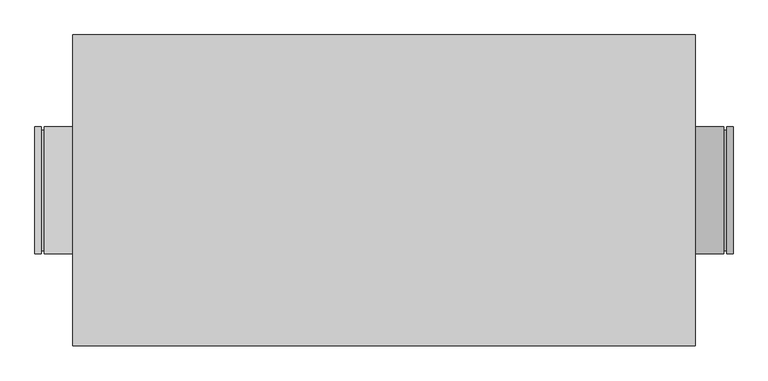
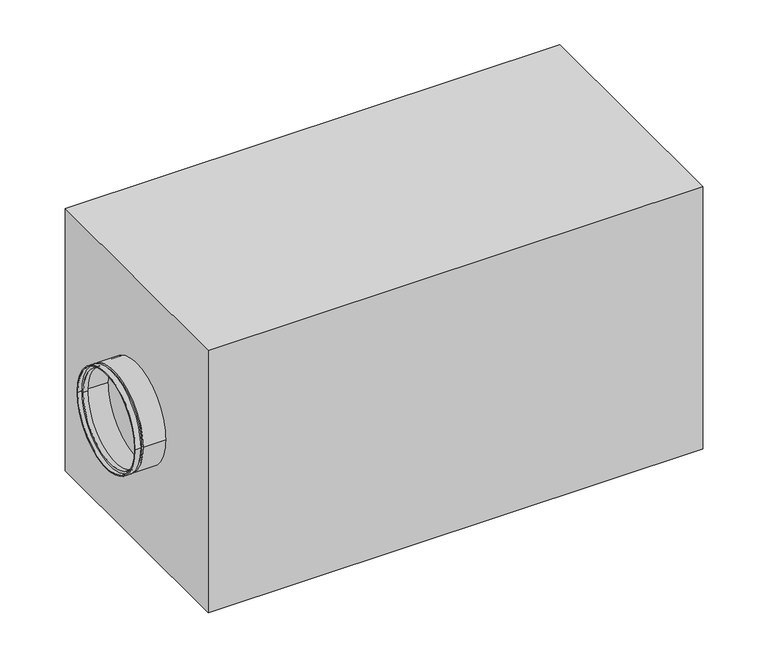
"""IFC4 building model written with IfcOpenShell, lengths in millimetres: proxy geometry."""

from ifc_helpers import new_model, si_unit, frame, origin, origin_with_axes, place, context, project, spatial, polyline, circle_curve, outline, extrude, source, transform, mapped, element, save
from ifc_brep_helpers import plane_surface, cylinder_surface, revolved_surface, advanced_brep


def mechanical_equipment_8890aa39(model_context):
    return source(origin(), model_context, "Body", "SolidModel", [
        advanced_brep(
        [(-540.0, 100.0, 275.0), (-540.0, -100.0, 275.0), (-550.0, -100.0, 275.0), (-550.0, 100.0, 275.0), (-540.0, 95.0, 275.0), (-540.0, -95.0, 275.0), (-535.0, 95.0, 275.0), (-535.0, -95.0, 275.0), (-535.0, 100.0, 275.0), (-535.0, -100.0, 275.0), (-490.0, 100.0, 275.0), (-490.0, -100.0, 275.0), (-490.0, 98.0, 275.0), (-490.0, -98.0, 275.0), (-533.0, 98.0, 275.0), (-533.0, -98.0, 275.0), (-533.0, 93.0, 275.0), (-533.0, -93.0, 275.0), (-542.0, 93.0, 275.0), (-542.0, -93.0, 275.0), (-542.0, 98.0, 275.0), (-542.0, -98.0, 275.0), (-550.0, 98.0, 275.0), (-550.0, -98.0, 275.0)],
        [
            (0, 1, circle_curve(frame((-540.0, 0.0, 275.0), z_axis=(-1.0, 0.0, 0.0), x_axis=(0.0, -1.0000000000000009, 0.0)), 100.0)),
            (1, 2),
            (2, 3, circle_curve(frame((-550.0, 0.0, 275.0), z_axis=(1.0, 0.0, 0.0), x_axis=(0.0, -1.0000000000000009, 0.0)), 100.0)),
            (3, 0),
            (1, 0, circle_curve(frame((-540.0, 0.0, 275.0), z_axis=(-1.0, 0.0, 0.0), x_axis=(0.0, -1.0000000000000009, 0.0)), 100.0)),
            (3, 2, circle_curve(frame((-550.0, 0.0, 275.0), z_axis=(1.0, 0.0, 0.0), x_axis=(0.0, -1.0000000000000009, 0.0)), 100.0)),
            (4, 5, circle_curve(frame((-540.0, 0.0, 275.0), z_axis=(-1.0, 0.0, 0.0), x_axis=(0.0, -1.0000000000000009, 0.0)), 95.0)),
            (5, 1),
            (0, 4),
            (5, 4, circle_curve(frame((-540.0, 0.0, 275.0), z_axis=(-1.0, 0.0, 0.0), x_axis=(0.0, -1.0000000000000009, 0.0)), 95.0)),
            (6, 7, circle_curve(frame((-535.0, 0.0, 275.0), z_axis=(-1.0, 0.0, 0.0), x_axis=(0.0, -1.0000000000000009, 0.0)), 95.0)),
            (7, 5),
            (4, 6),
            (7, 6, circle_curve(frame((-535.0, 0.0, 275.0), z_axis=(-1.0, 0.0, 0.0), x_axis=(0.0, -1.0000000000000009, 0.0)), 95.0)),
            (8, 9, circle_curve(frame((-535.0, 0.0, 275.0), z_axis=(-1.0, 0.0, 0.0), x_axis=(0.0, -1.0000000000000009, 0.0)), 100.0)),
            (9, 7),
            (6, 8),
            (9, 8, circle_curve(frame((-535.0, 0.0, 275.0), z_axis=(-1.0, 0.0, 0.0), x_axis=(0.0, -1.0000000000000009, 0.0)), 100.0)),
            (10, 11, circle_curve(frame((-490.0, 0.0, 275.0), z_axis=(-1.0, 0.0, 0.0), x_axis=(0.0, -1.0000000000000009, 0.0)), 100.0)),
            (11, 9),
            (8, 10),
            (11, 10, circle_curve(frame((-490.0, 0.0, 275.0), z_axis=(-1.0, 0.0, 0.0), x_axis=(0.0, -1.0000000000000009, 0.0)), 100.0)),
            (12, 13, circle_curve(frame((-490.0, 0.0, 275.0), z_axis=(-1.0, 0.0, 0.0), x_axis=(0.0, -1.0000000000000009, 0.0)), 98.0)),
            (13, 11),
            (10, 12),
            (13, 12, circle_curve(frame((-490.0, 0.0, 275.0), z_axis=(-1.0, 0.0, 0.0), x_axis=(0.0, -1.0000000000000009, 0.0)), 98.0)),
            (14, 15, circle_curve(frame((-533.0, 0.0, 275.0), z_axis=(-1.0, 0.0, 0.0), x_axis=(0.0, -1.0000000000000009, 0.0)), 98.0)),
            (15, 13),
            (12, 14),
            (15, 14, circle_curve(frame((-533.0, 0.0, 275.0), z_axis=(-1.0, 0.0, 0.0), x_axis=(0.0, -1.0000000000000009, 0.0)), 98.0)),
            (16, 17, circle_curve(frame((-533.0, 0.0, 275.0), z_axis=(-1.0, 0.0, 0.0), x_axis=(0.0, -1.0000000000000009, 0.0)), 93.0)),
            (17, 15),
            (14, 16),
            (17, 16, circle_curve(frame((-533.0, 0.0, 275.0), z_axis=(-1.0, 0.0, 0.0), x_axis=(0.0, -1.0000000000000009, 0.0)), 93.0)),
            (18, 19, circle_curve(frame((-542.0, 0.0, 275.0), z_axis=(-1.0, 0.0, 0.0), x_axis=(0.0, -1.0000000000000009, 0.0)), 93.0)),
            (19, 17),
            (16, 18),
            (19, 18, circle_curve(frame((-542.0, 0.0, 275.0), z_axis=(-1.0, 0.0, 0.0), x_axis=(0.0, -1.0000000000000009, 0.0)), 93.0)),
            (20, 21, circle_curve(frame((-542.0, 0.0, 275.0), z_axis=(-1.0, 0.0, 0.0), x_axis=(0.0, -1.0000000000000009, 0.0)), 98.0)),
            (21, 19),
            (18, 20),
            (21, 20, circle_curve(frame((-542.0, 0.0, 275.0), z_axis=(-1.0, 0.0, 0.0), x_axis=(0.0, -1.0000000000000009, 0.0)), 98.0)),
            (22, 23, circle_curve(frame((-550.0, 0.0, 275.0), z_axis=(-1.0, 0.0, 0.0), x_axis=(0.0, -1.0000000000000009, 0.0)), 98.0)),
            (23, 21),
            (20, 22),
            (23, 22, circle_curve(frame((-550.0, 0.0, 275.0), z_axis=(-1.0, 0.0, 0.0), x_axis=(0.0, -1.0000000000000009, 0.0)), 98.0)),
            (2, 23),
            (22, 3),
        ],
        [
            cylinder_surface(frame((-2085.0440172, 0.0, 275.0), z_axis=(1.0000000000000004, 0.0, 0.0), x_axis=(0.0, -1.0000000000000009, 0.0)), 100.0),
            plane_surface(frame((-540.0, 0.0, 275.0), z_axis=(1.0, 0.0, 0.0), x_axis=(0.0, -1.0, 0.0))),
            cylinder_surface(frame((-2085.0440172, 0.0, 275.0), z_axis=(1.0000000000000004, 0.0, 0.0), x_axis=(0.0, -1.0000000000000009, 0.0)), 95.0),
            plane_surface(frame((-535.0, 0.0, 275.0), z_axis=(-1.0, 0.0, 0.0), x_axis=(0.0, -1.0, 0.0))),
            plane_surface(frame((-490.0, 0.0, 275.0), z_axis=(1.0, 0.0, 0.0), x_axis=(0.0, -1.0, 0.0))),
            revolved_surface(polyline([(-489.99999999999864, -98.00000000000009, 275.0), (-532.9999999999986, -98.00000000000009, 275.0)]), (-2085.0440172, 0.0, 275.0), (1.0000000000000004, 0.0, 0.0)),
            plane_surface(frame((-533.0, 0.0, 275.0), z_axis=(1.0, 0.0, 0.0), x_axis=(0.0, -1.0, 0.0))),
            revolved_surface(polyline([(-532.9999999999986, -93.00000000000009, 275.0), (-541.9999999999986, -93.00000000000009, 275.0)]), (-2085.0440172, 0.0, 275.0), (1.0000000000000004, 0.0, 0.0)),
            plane_surface(frame((-542.0, 0.0, 275.0), z_axis=(-1.0, 0.0, 0.0), x_axis=(0.0, -1.0, 0.0))),
            revolved_surface(polyline([(-541.9999999999986, -98.00000000000009, 275.0), (-549.9999999999986, -98.00000000000009, 275.0)]), (-2085.0440172, 0.0, 275.0), (1.0000000000000004, 0.0, 0.0)),
            plane_surface(frame((-550.0, 0.0, 275.0), z_axis=(-1.0, 0.0, 0.0), x_axis=(0.0, -1.0, 0.0))),
        ],
        [
            (0, [[1, 2, 3, 4]]),
            (0, [[5, -4, 6, -2]]),
            (1, [[7, 8, -1, 9]]),
            (1, [[10, -9, -5, -8]]),
            (2, [[11, 12, -7, 13]]),
            (2, [[14, -13, -10, -12]]),
            (3, [[15, 16, -11, 17]]),
            (3, [[18, -17, -14, -16]]),
            (0, [[19, 20, -15, 21]]),
            (0, [[22, -21, -18, -20]]),
            (4, [[23, 24, -19, 25]]),
            (4, [[26, -25, -22, -24]]),
            (5, [[27, 28, -23, 29]]),
            (5, [[30, -29, -26, -28]]),
            (6, [[31, 32, -27, 33]]),
            (6, [[34, -33, -30, -32]]),
            (7, [[35, 36, -31, 37]]),
            (7, [[38, -37, -34, -36]]),
            (8, [[39, 40, -35, 41]]),
            (8, [[42, -41, -38, -40]]),
            (9, [[43, 44, -39, 45]]),
            (9, [[46, -45, -42, -44]]),
            (10, [[-3, 47, -43, 48]]),
            (10, [[-6, -48, -46, -47]]),
        ],
    ),
        advanced_brep(
        [(540.0, -100.0, 275.0), (540.0, 100.0, 275.0), (550.0, 100.0, 275.0), (550.0, -100.0, 275.0), (540.0, -95.0, 275.0), (540.0, 95.0, 275.0), (535.0, -95.0, 275.0), (535.0, 95.0, 275.0), (535.0, -100.0, 275.0), (535.0, 100.0, 275.0), (490.0, -100.0, 275.0), (490.0, 100.0, 275.0), (490.0, -98.0, 275.0), (490.0, 98.0, 275.0), (533.0, -98.0, 275.0), (533.0, 98.0, 275.0), (533.0, -93.0, 275.0), (533.0, 93.0, 275.0), (542.0, -93.0, 275.0), (542.0, 93.0, 275.0), (542.0, -98.0, 275.0), (542.0, 98.0, 275.0), (550.0, -98.0, 275.0), (550.0, 98.0, 275.0)],
        [
            (0, 1, circle_curve(frame((540.0, 0.0, 275.0), z_axis=(1.0, 0.0, 0.0), x_axis=(0.0, 1.0, 0.0)), 100.0)),
            (1, 2),
            (2, 3, circle_curve(frame((550.0, 0.0, 275.0), z_axis=(-1.0, 0.0, 0.0), x_axis=(0.0, 1.0, 0.0)), 100.0)),
            (3, 0),
            (1, 0, circle_curve(frame((540.0, 0.0, 275.0), z_axis=(1.0, 0.0, 0.0), x_axis=(0.0, 1.0, 0.0)), 100.0)),
            (3, 2, circle_curve(frame((550.0, 0.0, 275.0), z_axis=(-1.0, 0.0, 0.0), x_axis=(0.0, 1.0, 0.0)), 100.0)),
            (4, 5, circle_curve(frame((540.0, 0.0, 275.0), z_axis=(1.0, 0.0, 0.0), x_axis=(0.0, 1.0, 0.0)), 95.0)),
            (5, 1),
            (0, 4),
            (5, 4, circle_curve(frame((540.0, 0.0, 275.0), z_axis=(1.0, 0.0, 0.0), x_axis=(0.0, 1.0, 0.0)), 95.0)),
            (6, 7, circle_curve(frame((535.0, 0.0, 275.0), z_axis=(1.0, 0.0, 0.0), x_axis=(0.0, 1.0, 0.0)), 95.0)),
            (7, 5),
            (4, 6),
            (7, 6, circle_curve(frame((535.0, 0.0, 275.0), z_axis=(1.0, 0.0, 0.0), x_axis=(0.0, 1.0, 0.0)), 95.0)),
            (8, 9, circle_curve(frame((535.0, 0.0, 275.0), z_axis=(1.0, 0.0, 0.0), x_axis=(0.0, 1.0, 0.0)), 100.0)),
            (9, 7),
            (6, 8),
            (9, 8, circle_curve(frame((535.0, 0.0, 275.0), z_axis=(1.0, 0.0, 0.0), x_axis=(0.0, 1.0, 0.0)), 100.0)),
            (10, 11, circle_curve(frame((490.0, 0.0, 275.0), z_axis=(1.0, 0.0, 0.0), x_axis=(0.0, 1.0, 0.0)), 100.0)),
            (11, 9),
            (8, 10),
            (11, 10, circle_curve(frame((490.0, 0.0, 275.0), z_axis=(1.0, 0.0, 0.0), x_axis=(0.0, 1.0, 0.0)), 100.0)),
            (12, 13, circle_curve(frame((490.0, 0.0, 275.0), z_axis=(1.0, 0.0, 0.0), x_axis=(0.0, 1.0, 0.0)), 98.0)),
            (13, 11),
            (10, 12),
            (13, 12, circle_curve(frame((490.0, 0.0, 275.0), z_axis=(1.0, 0.0, 0.0), x_axis=(0.0, 1.0, 0.0)), 98.0)),
            (14, 15, circle_curve(frame((533.0, 0.0, 275.0), z_axis=(1.0, 0.0, 0.0), x_axis=(0.0, 1.0, 0.0)), 98.0)),
            (15, 13),
            (12, 14),
            (15, 14, circle_curve(frame((533.0, 0.0, 275.0), z_axis=(1.0, 0.0, 0.0), x_axis=(0.0, 1.0, 0.0)), 98.0)),
            (16, 17, circle_curve(frame((533.0, 0.0, 275.0), z_axis=(1.0, 0.0, 0.0), x_axis=(0.0, 1.0, 0.0)), 93.0)),
            (17, 15),
            (14, 16),
            (17, 16, circle_curve(frame((533.0, 0.0, 275.0), z_axis=(1.0, 0.0, 0.0), x_axis=(0.0, 1.0, 0.0)), 93.0)),
            (18, 19, circle_curve(frame((542.0, 0.0, 275.0), z_axis=(1.0, 0.0, 0.0), x_axis=(0.0, 1.0, 0.0)), 93.0)),
            (19, 17),
            (16, 18),
            (19, 18, circle_curve(frame((542.0, 0.0, 275.0), z_axis=(1.0, 0.0, 0.0), x_axis=(0.0, 1.0, 0.0)), 93.0)),
            (20, 21, circle_curve(frame((542.0, 0.0, 275.0), z_axis=(1.0, 0.0, 0.0), x_axis=(0.0, 1.0, 0.0)), 98.0)),
            (21, 19),
            (18, 20),
            (21, 20, circle_curve(frame((542.0, 0.0, 275.0), z_axis=(1.0, 0.0, 0.0), x_axis=(0.0, 1.0, 0.0)), 98.0)),
            (22, 23, circle_curve(frame((550.0, 0.0, 275.0), z_axis=(1.0, 0.0, 0.0), x_axis=(0.0, 1.0, 0.0)), 98.0)),
            (23, 21),
            (20, 22),
            (23, 22, circle_curve(frame((550.0, 0.0, 275.0), z_axis=(1.0, 0.0, 0.0), x_axis=(0.0, 1.0, 0.0)), 98.0)),
            (2, 23),
            (22, 3),
        ],
        [
            cylinder_surface(frame((2085.0440172, 0.0, 275.0), z_axis=(-1.0, 0.0, 0.0), x_axis=(0.0, 1.0, 0.0)), 100.0),
            plane_surface(frame((540.0, 0.0, 275.0), z_axis=(-1.0, 0.0, 0.0), x_axis=(0.0, 1.0, 0.0))),
            cylinder_surface(frame((2085.0440172, 0.0, 275.0), z_axis=(-1.0, 0.0, 0.0), x_axis=(0.0, 1.0, 0.0)), 95.0),
            plane_surface(frame((535.0, 0.0, 275.0), z_axis=(1.0, 0.0, 0.0), x_axis=(0.0, 1.0, 0.0))),
            plane_surface(frame((490.0, 0.0, 275.0), z_axis=(-1.0, 0.0, 0.0), x_axis=(0.0, 1.0, 0.0))),
            revolved_surface(polyline([(490.0, 98.0, 275.0), (533.0, 98.0, 275.0)]), (2085.0440172, 0.0, 275.0), (-1.0, 0.0, 0.0)),
            plane_surface(frame((533.0, 0.0, 275.0), z_axis=(-1.0, 0.0, 0.0), x_axis=(0.0, 1.0, 0.0))),
            revolved_surface(polyline([(533.0, 93.0, 275.0), (542.0, 93.0, 275.0)]), (2085.0440172, 0.0, 275.0), (-1.0, 0.0, 0.0)),
            plane_surface(frame((542.0, 0.0, 275.0), z_axis=(1.0, 0.0, 0.0), x_axis=(0.0, 1.0, 0.0))),
            revolved_surface(polyline([(542.0, 98.0, 275.0), (550.0, 98.0, 275.0)]), (2085.0440172, 0.0, 275.0), (-1.0, 0.0, 0.0)),
            plane_surface(frame((550.0, 0.0, 275.0), z_axis=(1.0, 0.0, 0.0), x_axis=(0.0, 1.0, 0.0))),
        ],
        [
            (0, [[1, 2, 3, 4]]),
            (0, [[5, -4, 6, -2]]),
            (1, [[7, 8, -1, 9]]),
            (1, [[10, -9, -5, -8]]),
            (2, [[11, 12, -7, 13]]),
            (2, [[14, -13, -10, -12]]),
            (3, [[15, 16, -11, 17]]),
            (3, [[18, -17, -14, -16]]),
            (0, [[19, 20, -15, 21]]),
            (0, [[22, -21, -18, -20]]),
            (4, [[23, 24, -19, 25]]),
            (4, [[26, -25, -22, -24]]),
            (5, [[27, 28, -23, 29]]),
            (5, [[30, -29, -26, -28]]),
            (6, [[31, 32, -27, 33]]),
            (6, [[34, -33, -30, -32]]),
            (7, [[35, 36, -31, 37]]),
            (7, [[38, -37, -34, -36]]),
            (8, [[39, 40, -35, 41]]),
            (8, [[42, -41, -38, -40]]),
            (9, [[43, 44, -39, 45]]),
            (9, [[46, -45, -42, -44]]),
            (10, [[-3, 47, -43, 48]]),
            (10, [[-6, -48, -46, -47]]),
        ],
    ),
        extrude(outline(polyline([(-490.0, -245.0), (-490.0, 245.0), (490.0, 245.0), (490.0, -245.0), (-490.0, -245.0)])), origin_with_axes(), (0.0, 0.0, 1.0), 550.0),
    ])


if __name__ == "__main__":
    model = new_model("IFC4")
    model_context = context("Model", 3, world=origin())
    ifc_project = project(units=[si_unit("LENGTHUNIT", "METRE", prefix="MILLI")], contexts=[model_context])
    site = spatial("IfcSite", under=ifc_project)
    building = spatial("IfcBuilding", under=site)
    placement = place(None, origin())
    mechanical_equipment_shape = mechanical_equipment_8890aa39(model_context)
    element("IfcBuildingElementProxy", 1, Name="Mechanical Equipment", at=placement, inside=building, context=model_context, shape_type="MappedRepresentation", body=[
        mapped(mechanical_equipment_shape, transform((0.0, 0.0, 0.0), x_axis=(1.0, 0.0, 0.0), y_axis=(0.0, 1.0, 0.0), z_axis=(0.0, 0.0, 1.0))),
    ])
    save(model, "model.ifc")
